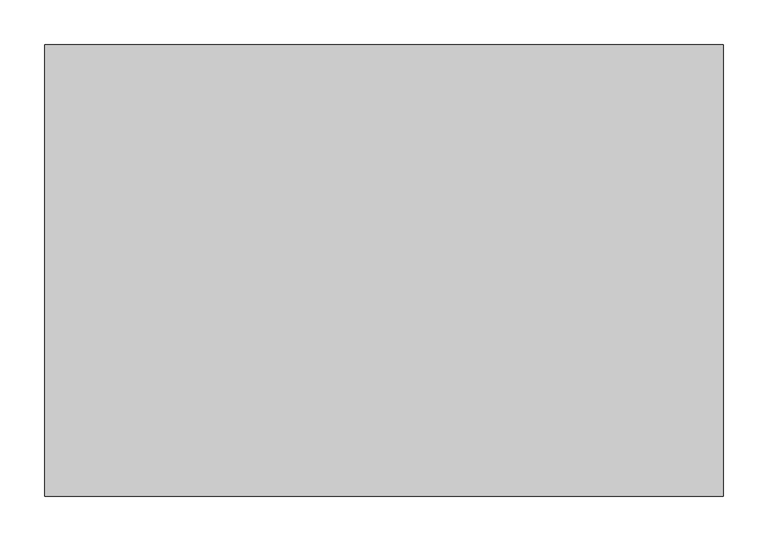
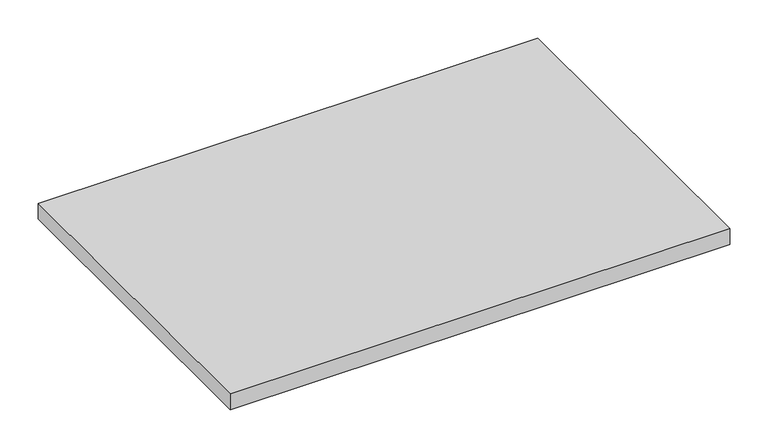
"""IFC4 building model written with IfcOpenShell, lengths in millimetres: furniture geometry."""

from ifc_helpers import new_model, si_unit, frame, origin, place, context, project, spatial, polyline, outline, extrude, source, transform, mapped, element, save


def furniture_43dedc2c(model_context):
    return source(origin(), model_context, "Body", "SweptSolid", [
        extrude(outline(polyline([(760.3998, -548.7539634), (760.3998, -1053.7059634), (1.6002, -1053.7059634), (1.6002, -548.7539634), (760.3998, -548.7539634)])), frame((0.0, 0.0, 558.8), z_axis=(0.0, 0.0, 1.0), x_axis=(1.0, 0.0, 0.0)), (0.0, 0.0, 1.0), 25.4),
    ])


if __name__ == "__main__":
    model = new_model("IFC4")
    model_context = context("Model", 3, world=origin())
    ifc_project = project(units=[si_unit("LENGTHUNIT", "METRE", prefix="MILLI")], contexts=[model_context])
    site = spatial("IfcSite", under=ifc_project)
    building = spatial("IfcBuilding", under=site)
    placement = place(None, origin())
    furniture_shape = furniture_43dedc2c(model_context)
    element("IfcFurniture", 1, at=placement, inside=building, context=model_context, shape_type="MappedRepresentation", body=[
        mapped(furniture_shape, transform((0.0, 0.0, 0.0), x_axis=(1.0, 0.0, 0.0), y_axis=(0.0, 1.0, 0.0), z_axis=(0.0, 0.0, 1.0))),
    ])
    save(model, "model.ifc")
